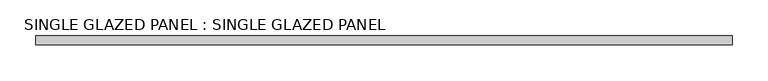
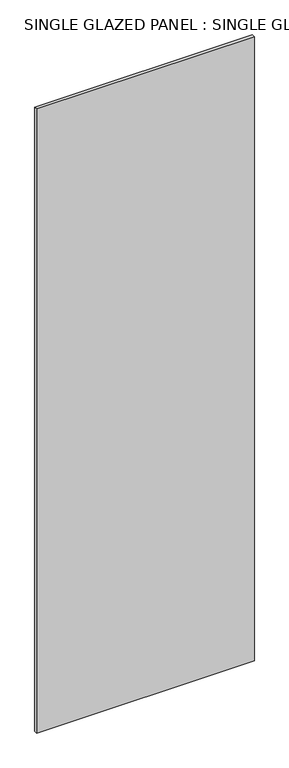
"""IFC4 building model written with IfcOpenShell, lengths in millimetres: plate geometry, SINGLE GLAZED PANEL : SINGLE GLAZED PANEL."""

from ifc_helpers import new_model, si_unit, origin, origin_with_axes, place, context, project, spatial, polyline, outline, extrude, source, transform, mapped, element, save


def single_glazed_panel_single_glazed_panel_354326cf(model_context):
    return source(origin(), model_context, "Body", "SweptSolid", [
        extrude(outline(polyline([(489.74375, 6.35), (489.74375, -6.35), (-489.74375, -6.35), (-489.74375, 6.35), (489.74375, 6.35)])), origin_with_axes(), (0.0, 0.0, 1.0), 2965.45),
    ])


if __name__ == "__main__":
    model = new_model("IFC4")
    model_context = context("Model", 3, world=origin())
    ifc_project = project(units=[si_unit("LENGTHUNIT", "METRE", prefix="MILLI")], contexts=[model_context])
    site = spatial("IfcSite", under=ifc_project)
    building = spatial("IfcBuilding", under=site)
    placement = place(None, origin())
    single_glazed_panel_single_glazed_panel_shape = single_glazed_panel_single_glazed_panel_354326cf(model_context)
    element("IfcPlate", 1, ObjectType="SINGLE GLAZED PANEL : SINGLE GLAZED PANEL", at=placement, inside=building, context=model_context, shape_type="MappedRepresentation", body=[
        mapped(single_glazed_panel_single_glazed_panel_shape, transform((0.0, 0.0, 0.0), x_axis=(1.0, 0.0, 0.0), y_axis=(0.0, 1.0, 0.0), z_axis=(0.0, 0.0, 1.0))),
    ])
    save(model, "model.ifc")
